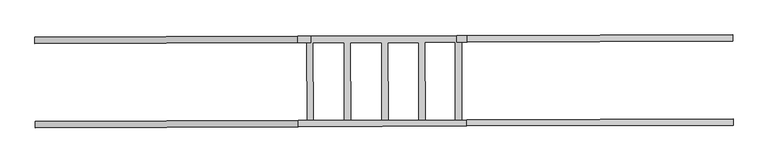
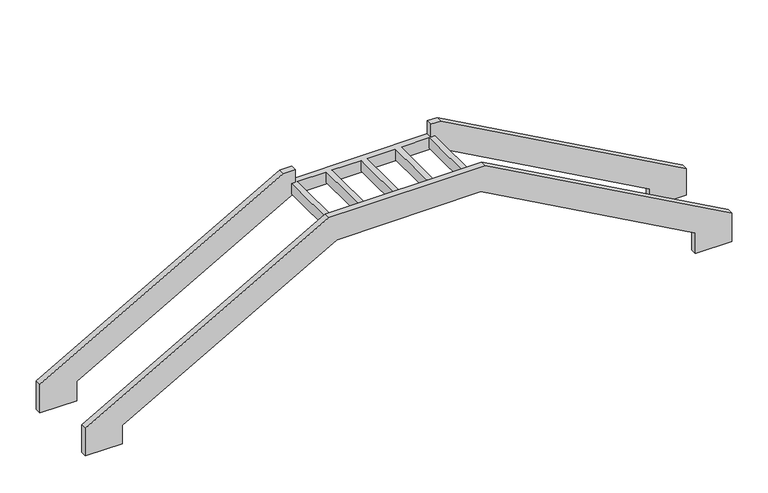
"""IFC4 building model written with IfcOpenShell, lengths in millimetres: stair geometry."""

from ifc_helpers import new_model, si_unit, origin, place, context, project, spatial, faceted_brep, source, transform, mapped, element, save


def stair_f35ec5cf(model_context):
    return source(origin(), model_context, "Body", "Brep", [
        faceted_brep([(19086.5184612, 100303.8491088, -2144.2846707), (22670.2214926, 100316.8979162, -131.1765302), (25077.8957271, 100325.664624, -131.1765302), (28660.7870161, 100338.7104757, -2123.1893443), (28660.7870161, 100338.7104757, -2483.2639797), (29270.4482248, 100340.9303448, -2483.2639797), (29270.4482248, 100340.9303448, -1981.909884), (25150.3764336, 100325.9285373, 308.7640832), (22540.7736423, 100316.4265769, 308.7640832), (18466.90188, 100301.5929907, -1979.691276), (18466.90188, 100301.5929907, -2464.9395685), (19086.5184612, 100303.8491088, -2464.9395685), (19086.1536344, 100404.0445409, -2144.2846707), (19086.1536344, 100404.0445409, -2464.9395685), (18466.5370532, 100401.7884228, -2464.9395685), (18466.5370532, 100401.7884228, -1979.691276), (22540.4088155, 100416.622009, 308.7640832), (25150.0116068, 100426.1239694, 308.7640832), (29270.083398, 100441.125777, -1981.909884), (29270.083398, 100441.125777, -2483.2639797), (28660.4221893, 100438.9059078, -2483.2639797), (28660.4221893, 100438.9059078, -2123.1893443), (25077.5309003, 100425.8600561, -131.1765302), (22669.8566658, 100417.0933483, -131.1765302), (22674.6586646, 100417.1108331, -113.9867204), (22769.6309782, 100417.4566418, -113.9867204), (22769.6309782, 100417.4566418, 70.875), (22674.6586646, 100417.1108331, 70.875), (23252.8553024, 100419.216135, -113.9867204), (23347.827616, 100419.5619436, -113.9867204), (23347.827616, 100419.5619436, 70.875), (23252.8553024, 100419.216135, 70.875), (23834.6297283, 100421.3344641, -113.9867204), (23929.6020419, 100421.6802727, -113.9867204), (23929.6020419, 100421.6802727, 70.875), (23834.6297283, 100421.3344641, 70.875), (24407.682002, 100423.4210345, -113.9867204), (24502.6543156, 100423.7668431, -113.9867204), (24502.6543156, 100423.7668431, 70.875), (24407.682002, 100423.4210345, 70.875), (24972.9134089, 100425.4791279, -113.9867204), (25070.3857059, 100425.8340394, -113.9867204), (25070.3857059, 100425.8340394, 70.875), (24972.9134089, 100425.4791279, 70.875), (19081.7750122, 101606.5821564, -2153.4503186), (22663.9927433, 101619.6255555, -141.1765302), (25065.1319396, 101628.3684683, -141.1765302), (28656.0435671, 101641.4435233, -2137.6484851), (28656.0435671, 101641.4435233, -2453.5005751), (29265.7047758, 101643.6633924, -2453.5005751), (29265.7047758, 101643.6633924, -1984.6897613), (25158.6193041, 101628.70887, 298.7640832), (24995.6039781, 101628.1153064, 298.7640832), (24995.6039781, 101628.1153064, 70.875), (25066.0070837, 101628.3716548, 70.875), (25066.0070837, 101628.3716548, -113.9867204), (24968.5347867, 101628.0167434, -113.9867204), (24968.5347867, 101628.0167434, 70.875), (24498.2756934, 101626.3044585, 70.875), (24498.2756934, 101626.3044585, -113.9867204), (24403.3033798, 101625.9586499, -113.9867204), (24403.3033798, 101625.9586499, 70.875), (23925.2234197, 101624.2178881, 70.875), (23925.2234197, 101624.2178881, -113.9867204), (23830.2511061, 101623.8720795, -113.9867204), (23830.2511061, 101623.8720795, 70.875), (23343.4489938, 101622.099559, 70.875), (23343.4489938, 101622.099559, -113.9867204), (23248.4766802, 101621.7537504, -113.9867204), (23248.4766802, 101621.7537504, 70.875), (22765.252356, 101619.9942572, 70.875), (22765.252356, 101619.9942572, -113.9867204), (22670.2800424, 101619.6484486, -113.9867204), (22670.2800424, 101619.6484486, 70.875), (22734.3770829, 101619.8818356, 70.875), (22734.3770829, 101619.8818356, 298.7640832), (22534.544893, 101619.1542162, 298.7640832), (18462.158431, 101604.3260382, -1988.856924), (18462.158431, 101604.3260382, -2494.9395685), (19081.7750122, 101606.5821564, -2494.9395685), (19081.4101854, 101706.7775885, -2153.4503186), (19081.4101854, 101706.7775885, -2494.9395685), (18461.7936042, 101704.5214703, -2494.9395685), (18461.7936042, 101704.5214703, -1988.856924), (22534.1800662, 101719.3496484, 298.7640832), (22734.0122561, 101720.0772677, 298.7640832), (22734.0122561, 101720.0772677, 70.875), (24995.2391513, 101728.3107385, 70.875), (24995.2391513, 101728.3107385, 298.7640832), (25158.2544773, 101728.9043021, 298.7640832), (29265.339949, 101743.8588245, -1984.6897613), (29265.339949, 101743.8588245, -2453.5005751), (28655.6787403, 101741.6389554, -2453.5005751), (28655.6787403, 101741.6389554, -2137.6484851), (25064.7671128, 101728.5639004, -141.1765302), (22663.6279165, 101719.8209877, -141.1765302)], [[[0, 1, 2, 3, 4, 5, 6, 7, 8, 9, 10, 11]], [[12, 13, 14, 15, 16, 17, 18, 19, 20, 21, 22, 23], [24, 25, 26, 27], [28, 29, 30, 31], [32, 33, 34, 35], [36, 37, 38, 39], [40, 41, 42, 43]], [[1, 0, 12, 23]], [[2, 1, 23, 22]], [[3, 2, 22, 21]], [[4, 3, 21, 20]], [[5, 4, 20, 19]], [[6, 5, 19, 18]], [[7, 6, 18, 17]], [[8, 7, 17, 16]], [[9, 8, 16, 15]], [[10, 9, 15, 14]], [[11, 10, 14, 13]], [[0, 11, 13, 12]], [[44, 45, 46, 47, 48, 49, 50, 51, 52, 53, 54, 55, 56, 57, 58, 59, 60, 61, 62, 63, 64, 65, 66, 67, 68, 69, 70, 71, 72, 73, 74, 75, 76, 77, 78, 79]], [[80, 81, 82, 83, 84, 85, 86, 87, 88, 89, 90, 91, 92, 93, 94, 95]], [[45, 44, 80, 95]], [[46, 45, 95, 94]], [[47, 46, 94, 93]], [[48, 47, 93, 92]], [[49, 48, 92, 91]], [[50, 49, 91, 90]], [[51, 50, 90, 89]], [[52, 51, 89, 88]], [[77, 76, 84, 83]], [[78, 77, 83, 82]], [[79, 78, 82, 81]], [[44, 79, 81, 80]], [[87, 53, 52, 88]], [[75, 74, 86, 85]], [[76, 75, 85, 84]], [[25, 24, 72, 71]], [[26, 25, 71, 70]], [[27, 26, 70, 69, 31, 30, 66, 65, 35, 34, 62, 61, 39, 38, 58, 57, 43, 42, 54, 53, 87, 86, 74, 73]], [[24, 27, 73, 72]], [[29, 28, 68, 67]], [[30, 29, 67, 66]], [[28, 31, 69, 68]], [[33, 32, 64, 63]], [[34, 33, 63, 62]], [[32, 35, 65, 64]], [[37, 36, 60, 59]], [[38, 37, 59, 58]], [[36, 39, 61, 60]], [[41, 40, 56, 55]], [[42, 41, 55, 54]], [[40, 43, 57, 56]]]),
    ])


if __name__ == "__main__":
    model = new_model("IFC4")
    model_context = context("Model", 3, world=origin())
    ifc_project = project(units=[si_unit("LENGTHUNIT", "METRE", prefix="MILLI")], contexts=[model_context])
    site = spatial("IfcSite", under=ifc_project)
    building = spatial("IfcBuilding", under=site)
    placement = place(None, origin())
    stair_shape = stair_f35ec5cf(model_context)
    element("IfcStair", 1, at=placement, inside=building, context=model_context, shape_type="MappedRepresentation", body=[
        mapped(stair_shape, transform((0.0, 0.0, 0.0), x_axis=(1.0, 0.0, 0.0), y_axis=(0.0, 1.0, 0.0), z_axis=(0.0, 0.0, 1.0))),
    ])
    save(model, "model.ifc")
